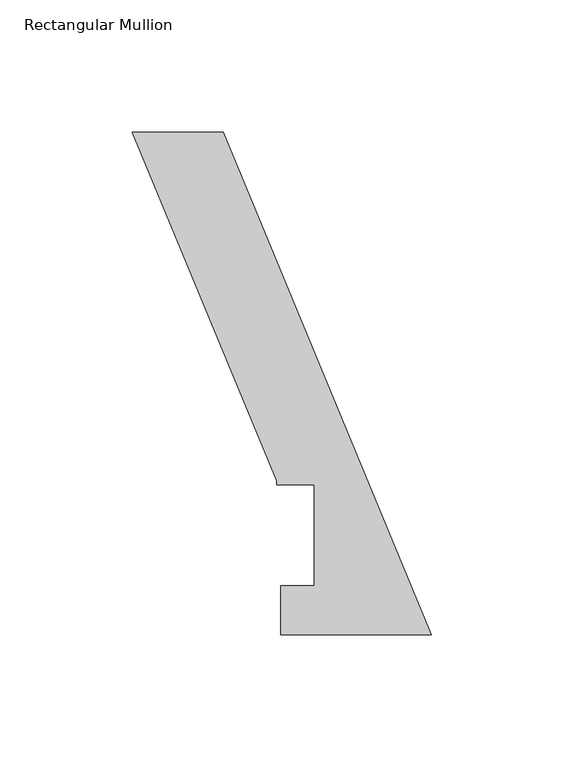
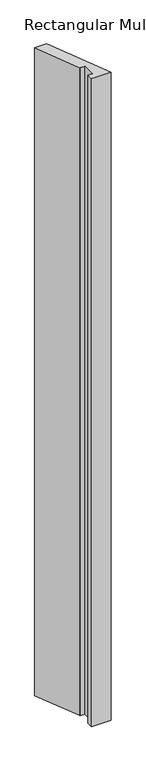
"""IFC4 building model written with IfcOpenShell, lengths in millimetres: member geometry, Rectangular Mullion."""

from ifc_helpers import new_model, si_unit, frame, origin, place, context, project, spatial, polyline, outline, extrude, source, transform, mapped, element, save


def rectangular_mullion_aa89cce9(model_context):
    return source(origin(), model_context, "Body", "SweptSolid", [
        extrude(outline(polyline([(-113.0737365, 190.0039062), (-78.7077842, 190.0039062), (0.0, -0.0134937), (-56.8712246, -0.0134937), (-56.8712246, 18.5539063), (-44.1712246, 18.5539063), (-44.1712246, 56.6539062), (-58.5222246, 56.6539062), (-58.5222246, 58.3049062), (-113.0737365, 190.0039062)])), frame((0.0, 0.0, -1993.9), z_axis=(0.0, 0.0, 1.0), x_axis=(1.0, 0.0, 0.0)), (0.0, 0.0, 1.0), 1993.9),
    ])


if __name__ == "__main__":
    model = new_model("IFC4")
    model_context = context("Model", 3, world=origin())
    ifc_project = project(units=[si_unit("LENGTHUNIT", "METRE", prefix="MILLI")], contexts=[model_context])
    site = spatial("IfcSite", under=ifc_project)
    building = spatial("IfcBuilding", under=site)
    placement = place(None, origin())
    rectangular_mullion_shape = rectangular_mullion_aa89cce9(model_context)
    element("IfcMember", 1, ObjectType="Rectangular Mullion", at=placement, inside=building, context=model_context, shape_type="MappedRepresentation", body=[
        mapped(rectangular_mullion_shape, transform((0.0, 0.0, 0.0), x_axis=(1.0, 0.0, 0.0), y_axis=(0.0, 1.0, 0.0), z_axis=(0.0, 0.0, 1.0))),
    ])
    save(model, "model.ifc")
